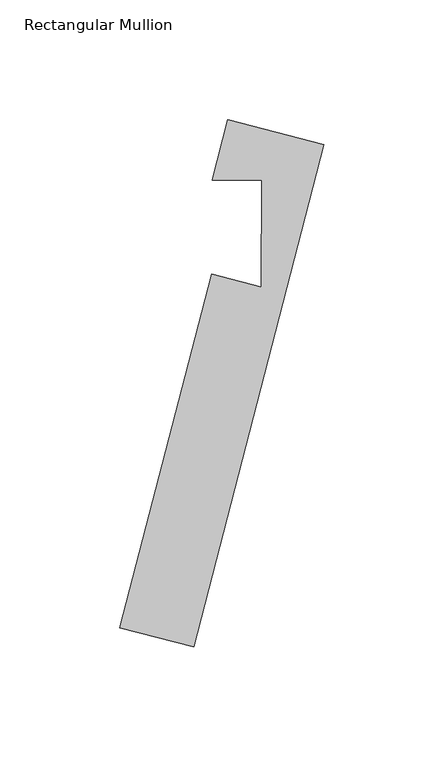
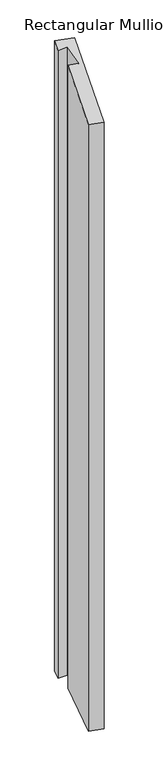
"""IFC4 building model written with IfcOpenShell, lengths in millimetres: member geometry, Rectangular Mullion."""

from ifc_helpers import new_model, si_unit, origin, place, context, project, spatial, faceted_brep, source, transform, mapped, element, save


def rectangular_mullion_25ab17f1(model_context):
    return source(origin(), model_context, "Body", "Brep", [
        faceted_brep([(-32.204008, 2.2876703, -1498.3858989), (-11.404285, -3.095377, -1498.3858989), (-11.378964, 41.5442656, -1498.3858989), (-31.8795099, 41.5558942, -1498.3858989), (-25.3903068, 66.6297268, -1498.3858989), (14.5676652, 56.2884519, -1498.3858989), (-39.6503719, -153.2062979, -1498.3858989), (-70.3876716, -145.251368, -1498.3858989), (-70.3876716, -145.251368, -42.4041473), (-32.204008, 2.2876703, -1.5686904), (-39.6503719, -153.2062979, -42.4040257), (14.5676652, 56.2884519, 15.5793658), (-25.3903068, 66.6297268, 15.5792078), (-31.8795099, 41.5558942, 8.6393401), (-11.378964, 41.5442656, 10.0126913), (-11.404285, -3.095377, -1.5686081)], [[[0, 1, 2, 3, 4, 5, 6, 7]], [[8, 9, 0, 7]], [[10, 8, 7, 6]], [[11, 10, 6, 5]], [[12, 11, 5, 4]], [[13, 12, 4, 3]], [[14, 13, 3, 2]], [[15, 14, 2, 1]], [[9, 15, 1, 0]], [[9, 8, 10, 11, 12, 13, 14, 15]]]),
    ])


if __name__ == "__main__":
    model = new_model("IFC4")
    model_context = context("Model", 3, world=origin())
    ifc_project = project(units=[si_unit("LENGTHUNIT", "METRE", prefix="MILLI")], contexts=[model_context])
    site = spatial("IfcSite", under=ifc_project)
    building = spatial("IfcBuilding", under=site)
    placement = place(None, origin())
    rectangular_mullion_shape = rectangular_mullion_25ab17f1(model_context)
    element("IfcMember", 1, ObjectType="Rectangular Mullion", at=placement, inside=building, context=model_context, shape_type="MappedRepresentation", body=[
        mapped(rectangular_mullion_shape, transform((0.0, 0.0, 0.0), x_axis=(1.0, 0.0, 0.0), y_axis=(0.0, 1.0, 0.0), z_axis=(0.0, 0.0, 1.0))),
    ])
    save(model, "model.ifc")
